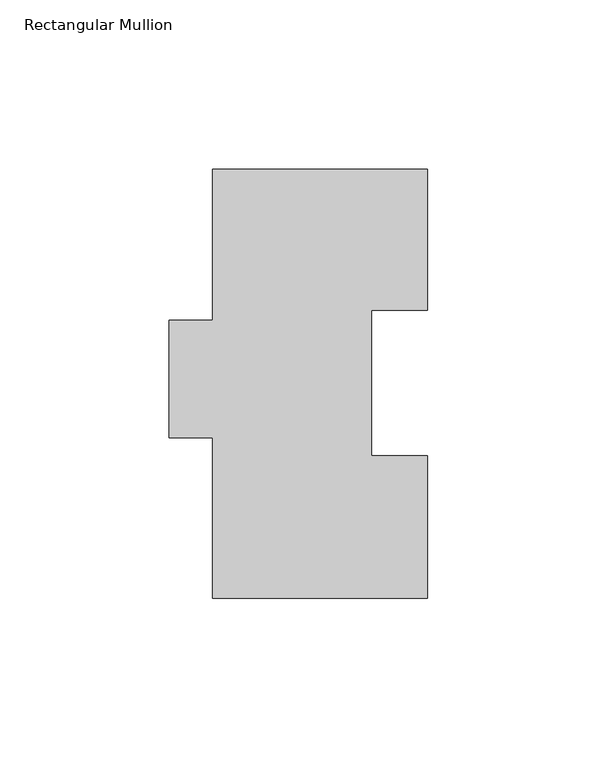
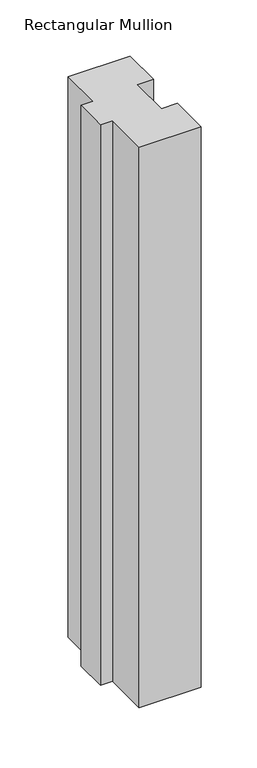
"""IFC4 building model written with IfcOpenShell, lengths in millimetres: member geometry, Rectangular Mullion."""

from ifc_helpers import new_model, si_unit, frame, origin, place, context, project, spatial, polyline, outline, extrude, source, transform, mapped, element, save


def rectangular_mullion_776effc7(model_context):
    return source(origin(), model_context, "Body", "SweptSolid", [
        extrude(outline(polyline([(-63.5, 126.7348875), (0.0, 126.7348875), (0.0, 85.1296875), (-16.5466561, 85.1296875), (-16.5466561, 42.2798875), (0.0, 42.2798875), (0.0, 0.2428875), (-63.5, 0.2428875), (-63.5, 47.6138875), (-76.2, 47.6138875), (-76.2, 82.2848875), (-63.5, 82.2848875), (-63.5, 126.7348875)])), frame((0.0, 0.0, -609.6), z_axis=(0.0, 0.0, 1.0), x_axis=(1.0, 0.0, 0.0)), (0.0, 0.0, 1.0), 609.6),
    ])


if __name__ == "__main__":
    model = new_model("IFC4")
    model_context = context("Model", 3, world=origin())
    ifc_project = project(units=[si_unit("LENGTHUNIT", "METRE", prefix="MILLI")], contexts=[model_context])
    site = spatial("IfcSite", under=ifc_project)
    building = spatial("IfcBuilding", under=site)
    placement = place(None, origin())
    rectangular_mullion_shape = rectangular_mullion_776effc7(model_context)
    element("IfcMember", 1, ObjectType="Rectangular Mullion", at=placement, inside=building, context=model_context, shape_type="MappedRepresentation", body=[
        mapped(rectangular_mullion_shape, transform((0.0, 0.0, 0.0), x_axis=(1.0, 0.0, 0.0), y_axis=(0.0, 1.0, 0.0), z_axis=(0.0, 0.0, 1.0))),
    ])
    save(model, "model.ifc")
